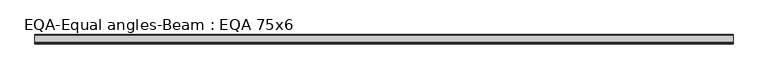
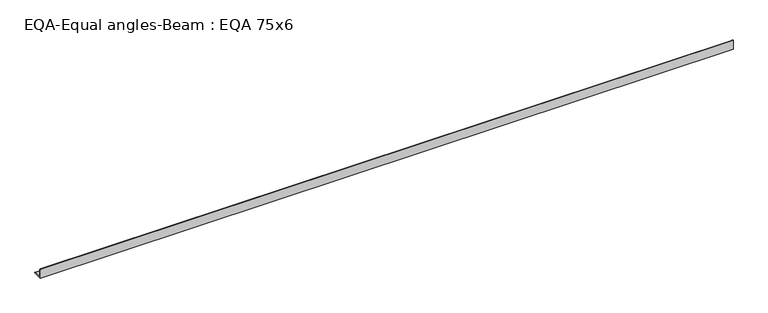
"""IFC4 building model written with IfcOpenShell, lengths in millimetres: beam geometry, EQA-Equal angles-Beam : EQA 75x6."""

import ifcopenshell
import ifcopenshell.guid

model = None  # the IFC model being written
_history = None  # IfcOwnerHistory: only IFC2X3 demands one
_inside = {}  # id of a spatial element -> (the spatial element, [elements in it])
_under = {}  # id of a project, library or spatial element -> (it, [spatial elements below it])
_declared = {}  # id of a project -> (the project, [libraries it declares])
_typed = {}  # id of a type object -> (the type object, [elements of that type])
_made_of = {}  # id of a material, layer set ... -> (it, [elements and type objects made of it])


def new_model(schema):
    """Start an empty IFC model of exactly this schema.

    Asked for "IFC4X3", IfcOpenShell would pick the latest addendum, in which some entities
    have other attributes; the version numbers below select the first issue.
    IFC2X3 requires an IfcOwnerHistory on every rooted entity: one is made here for all.
    """
    global model, _history
    if schema == "IFC4X3":
        model = ifcopenshell.file(schema_version=(4, 3, 0, 0))
    else:
        model = ifcopenshell.file(schema=schema)
    _inside.clear()
    _under.clear()
    _declared.clear()
    _typed.clear()
    _made_of.clear()
    _history = None
    if model.schema == "IFC2X3":
        org = make("IfcOrganization", Name="unknown")
        user = make(
            "IfcPersonAndOrganization",
            ThePerson=make("IfcPerson", FamilyName="unknown"),
            TheOrganization=org,
        )
        app = make(
            "IfcApplication",
            ApplicationDeveloper=org,
            Version="unknown",
            ApplicationFullName="unknown",
            ApplicationIdentifier="unknown",
        )
        _history = make(
            "IfcOwnerHistory",
            OwningUser=user,
            OwningApplication=app,
            ChangeAction="ADDED",
            CreationDate=0,
        )
    return model


def make(cls, **values):
    """One entity of the class cls with the attributes given. An attribute that is None is left unset."""
    return model.create_entity(
        cls, **{name: value for name, value in values.items() if value is not None}
    )


def rooted(cls, **values):
    """An entity with a GlobalId (a new one), such as an element, a storey or a relation."""
    return make(cls, GlobalId=ifcopenshell.guid.new(), OwnerHistory=_history, **values)


def si_unit(unit_type, name, prefix=None):
    """IfcSIUnit, for example si_unit("LENGTHUNIT", "METRE", prefix="MILLI")."""
    return make("IfcSIUnit", UnitType=unit_type, Prefix=prefix, Name=name)


def assignment(units):
    """IfcUnitAssignment: the units of a project."""
    return None if units is None else make("IfcUnitAssignment", Units=units)


def point(xyz):
    """IfcCartesianPoint."""
    return None if xyz is None else make("IfcCartesianPoint", Coordinates=xyz)


def direction(xyz):
    """IfcDirection."""
    return None if xyz is None else make("IfcDirection", DirectionRatios=xyz)


def frame(location, z_axis=None, x_axis=None):
    """IfcAxis2Placement3D, a coordinate frame: its origin and axes. An axis left out is left unset."""
    return make(
        "IfcAxis2Placement3D",
        Location=point(location),
        Axis=direction(z_axis),
        RefDirection=direction(x_axis),
    )


def frame_2d(location, x_axis=None):
    """IfcAxis2Placement2D, a coordinate frame in the plane: its origin and x axis."""
    return make(
        "IfcAxis2Placement2D", Location=point(location), RefDirection=direction(x_axis)
    )


def origin():
    """The frame at (0, 0, 0) with its axes left unset."""
    return frame((0.0, 0.0, 0.0))


def place(relative_to, where):
    """IfcLocalPlacement: puts the frame where relative to a parent placement (None: the world)."""
    return make(
        "IfcLocalPlacement", PlacementRelTo=relative_to, RelativePlacement=where
    )


def context(
    kind, dimensions, precision=None, world=None, true_north=None, identifier=None
):
    """IfcGeometricRepresentationContext, for example the 3D "Model" context."""
    return make(
        "IfcGeometricRepresentationContext",
        ContextIdentifier=identifier,
        ContextType=kind,
        CoordinateSpaceDimension=dimensions,
        Precision=precision,
        WorldCoordinateSystem=world,
        TrueNorth=true_north,
    )


def project(units=None, contexts=None):
    """IfcProject with its units and contexts."""
    return rooted(
        "IfcProject",
        Name="project",
        RepresentationContexts=contexts,
        UnitsInContext=assignment(units),
    )


def spatial(cls, under=None, at=None, **own):
    """A site, building, storey or space (cls), placed at a placement, below another one or the project."""
    s = rooted(cls, ObjectPlacement=at, **own)
    if under is not None:
        _under.setdefault(under.id(), (under, []))[1].append(s)
    return s


def polyline(points):
    """IfcPolyline through the points."""
    return make("IfcPolyline", Points=[point(p) for p in points])


def circle_curve(where, radius):
    """IfcCircle in the frame where."""
    return make("IfcCircle", Position=where, Radius=radius)


def trimmed(basis, trim1, trim2, sense, master):
    """IfcTrimmedCurve: the piece of a basis curve between two trims."""
    return make(
        "IfcTrimmedCurve",
        BasisCurve=basis,
        Trim1=trim1,
        Trim2=trim2,
        SenseAgreement=sense,
        MasterRepresentation=master,
    )


def segment(curve, same_sense, transition):
    """IfcCompositeCurveSegment."""
    return make(
        "IfcCompositeCurveSegment",
        Transition=transition,
        SameSense=same_sense,
        ParentCurve=curve,
    )


def composite_curve(segments, self_intersect=None):
    """IfcCompositeCurve: segments joined end to end."""
    return make("IfcCompositeCurve", Segments=segments, SelfIntersect=self_intersect)


def outline(outer, holes=None, kind="AREA"):
    """IfcArbitraryClosedProfileDef: a profile drawn as a closed curve; with holes, ...WithVoids."""
    if holes is None:
        return make("IfcArbitraryClosedProfileDef", ProfileType=kind, OuterCurve=outer)
    return make(
        "IfcArbitraryProfileDefWithVoids",
        ProfileType=kind,
        OuterCurve=outer,
        InnerCurves=holes,
    )


def extrude(swept, where, along, depth):
    """IfcExtrudedAreaSolid: the profile swept, set in the frame where, extruded along a direction by depth."""
    return make(
        "IfcExtrudedAreaSolid",
        SweptArea=swept,
        Position=where,
        ExtrudedDirection=direction(along),
        Depth=depth,
    )


def shape(context_of_items, identifier, shape_type, items):
    """IfcShapeRepresentation: the items that make up one representation, for example the "Body"."""
    return make(
        "IfcShapeRepresentation",
        ContextOfItems=context_of_items,
        RepresentationIdentifier=identifier,
        RepresentationType=shape_type,
        Items=items,
    )


def source(mapping_origin, context_of_items, identifier, shape_type, items):
    """IfcRepresentationMap: a shape defined once, which mapped items show again and again."""
    return make(
        "IfcRepresentationMap",
        MappingOrigin=mapping_origin,
        MappedRepresentation=shape(context_of_items, identifier, shape_type, items),
    )


def transform(
    local_origin,
    x_axis=None,
    y_axis=None,
    z_axis=None,
    scale=None,
    scale2=None,
    scale3=None,
    uniform=True,
):
    """IfcCartesianTransformationOperator3D, or its non-uniform kind. x_axis, y_axis, z_axis: its Axis1, 2, 3."""
    if uniform:
        return make(
            "IfcCartesianTransformationOperator3D",
            Axis1=direction(x_axis),
            Axis2=direction(y_axis),
            LocalOrigin=point(local_origin),
            Scale=scale,
            Axis3=direction(z_axis),
        )
    return make(
        "IfcCartesianTransformationOperator3DnonUniform",
        Axis1=direction(x_axis),
        Axis2=direction(y_axis),
        LocalOrigin=point(local_origin),
        Scale=scale,
        Axis3=direction(z_axis),
        Scale2=scale2,
        Scale3=scale3,
    )


def mapped(mapping_source, mapping_target):
    """IfcMappedItem: shows the shape of a source again, moved by a transform."""
    return make(
        "IfcMappedItem", MappingSource=mapping_source, MappingTarget=mapping_target
    )


def made_of(thing, what):
    """Note that an element or type object is made of a material, layer set ...; save() writes the relation."""
    if what is not None:
        _made_of.setdefault(what.id(), (what, []))[1].append(thing)
    return thing


def element(
    cls,
    number,
    at=None,
    inside=None,
    cuts=None,
    type_object=None,
    material=None,
    context=None,
    identifier="Body",
    shape_type=None,
    held_by="IfcProductDefinitionShape",
    body=None,
    shapes=None,
    **own,
):
    """One element of the class cls, such as IfcWall. Its Tag is "e" and its number.

    at: its placement. inside: the storey or other place that contains it. cuts: it is an
    opening in that element (IfcRelVoidsElement). A single representation is given by context,
    identifier, shape_type and body (its items); several are given by shapes. held_by: the class
    of the entity that holds the representations. save() writes the other relations.
    """
    e = rooted(cls, Tag="e%d" % number, ObjectPlacement=at, **own)
    if body is not None:
        shapes = [shape(context, identifier, shape_type, body)]
    if shapes is not None:
        e.Representation = make(held_by, Representations=shapes)
    if inside is not None:
        _inside.setdefault(inside.id(), (inside, []))[1].append(e)
    if cuts is not None:
        rooted(
            "IfcRelVoidsElement", RelatingBuildingElement=cuts, RelatedOpeningElement=e
        )
    if type_object is not None:
        _typed.setdefault(type_object.id(), (type_object, []))[1].append(e)
    return made_of(e, material)


def aggregate(whole, parts):
    """IfcRelAggregates: a whole, such as a stair, and the parts it consists of."""
    return rooted("IfcRelAggregates", RelatingObject=whole, RelatedObjects=parts)


def save(model, path):
    """Write the relations noted so far, then the file.

    IfcRelAggregates (storeys below a building ...), IfcRelContainedInSpatialStructure (elements
    in a storey), IfcRelDefinesByType, IfcRelAssociatesMaterial and IfcRelDeclares: one each for
    every whole, place, type object, material and project.
    """
    for whole, parts in _under.values():
        aggregate(whole, parts)
    for where, things in _inside.values():
        rooted(
            "IfcRelContainedInSpatialStructure",
            RelatedElements=things,
            RelatingStructure=where,
        )
    for kind, things in _typed.values():
        rooted("IfcRelDefinesByType", RelatedObjects=things, RelatingType=kind)
    for what, things in _made_of.values():
        rooted("IfcRelAssociatesMaterial", RelatedObjects=things, RelatingMaterial=what)
    for by, libraries in _declared.values():
        rooted("IfcRelDeclares", RelatingContext=by, RelatedDefinitions=libraries)
    model.write(path)


def eqa_equal_angles_beam_eqa_75x6_7dc537e3(model_context):
    return source(origin(), model_context, "Body", "SweptSolid", [
        extrude(outline(composite_curve([segment(polyline([(-20.5, -20.5), (-20.5, 54.5), (-19.0, 54.5)]), True, "CONTINUOUS"), segment(trimmed(circle_curve(frame_2d((-19.0, 50.0)), 4.5), [point((-19.0, 54.5))], [point((-14.5, 50.0))], False, "CARTESIAN"), True, "CONTINUOUS"), segment(polyline([(-14.5, 50.0), (-14.5, -5.5)]), True, "CONTINUOUS"), segment(trimmed(circle_curve(frame_2d((-5.5, -5.5)), 9.0), [point((-14.5, -5.5))], [point((-5.5, -14.5))], True, "CARTESIAN"), True, "CONTINUOUS"), segment(polyline([(-5.5, -14.5), (50.0, -14.5)]), True, "CONTINUOUS"), segment(trimmed(circle_curve(frame_2d((50.0, -19.0)), 4.5), [point((50.0, -14.5))], [point((54.5, -19.0))], False, "CARTESIAN"), True, "CONTINUOUS"), segment(polyline([(54.5, -19.0), (54.5, -20.5), (-20.5, -20.5)]), True, "CONTINUOUS")], self_intersect=False)), frame((-2686.1054302, 0.0, 0.0), z_axis=(1.0, 0.0, 0.0), x_axis=(0.0, 1.0, 0.0)), (0.0, 0.0, 1.0), 5560.7124589),
    ])


if __name__ == "__main__":
    model = new_model("IFC4")
    model_context = context("Model", 3, world=origin())
    ifc_project = project(units=[si_unit("LENGTHUNIT", "METRE", prefix="MILLI")], contexts=[model_context])
    site = spatial("IfcSite", under=ifc_project)
    building = spatial("IfcBuilding", under=site)
    placement = place(None, origin())
    eqa_equal_angles_beam_eqa_75x6_shape = eqa_equal_angles_beam_eqa_75x6_7dc537e3(model_context)
    element("IfcBeam", 1, ObjectType="EQA-Equal angles-Beam : EQA 75x6", at=placement, inside=building, context=model_context, shape_type="MappedRepresentation", body=[
        mapped(eqa_equal_angles_beam_eqa_75x6_shape, transform((0.0, 0.0, 0.0), x_axis=(1.0, 0.0, 0.0), y_axis=(0.0, 1.0, 0.0), z_axis=(0.0, 0.0, 1.0))),
    ])
    save(model, "model.ifc")
